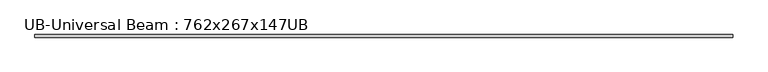
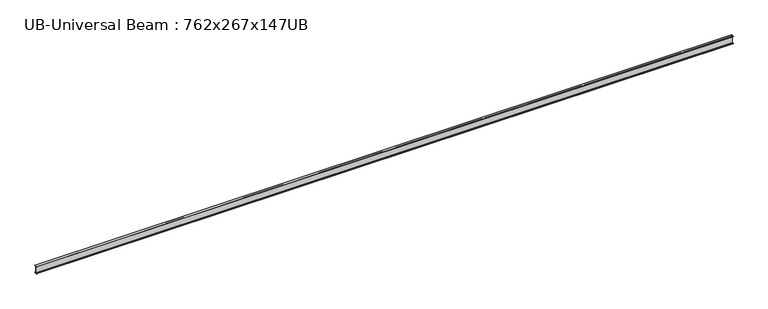
"""IFC4 building model written with IfcOpenShell, lengths in millimetres: beam geometry, UB-Universal Beam : 762x267x147UB."""

from ifc_helpers import new_model, si_unit, point, frame, frame_2d, origin, place, context, project, spatial, polyline, circle_curve, trimmed, segment, composite_curve, outline, extrude, source, transform, mapped, element, save


def ub_universal_beam_762x267x147ub_7701b2b1(model_context):
    return source(origin(), model_context, "Body", "SweptSolid", [
        extrude(outline(composite_curve([segment(polyline([(132.6, -363.5), (132.6, -381.0), (-132.6, -381.0), (-132.6, -363.5), (-22.9, -363.5)]), True, "CONTINUOUS"), segment(trimmed(circle_curve(frame_2d((-22.9, -347.0)), 16.5), [point((-22.9, -363.5))], [point((-6.4, -347.0))], True, "CARTESIAN"), True, "CONTINUOUS"), segment(polyline([(-6.4, -347.0), (-6.4, 347.0)]), True, "CONTINUOUS"), segment(trimmed(circle_curve(frame_2d((-22.9, 347.0)), 16.5), [point((-6.4, 347.0))], [point((-22.9, 363.5))], True, "CARTESIAN"), True, "CONTINUOUS"), segment(polyline([(-22.9, 363.5), (-132.6, 363.5), (-132.6, 381.0), (132.6, 381.0), (132.6, 363.5), (22.9, 363.5)]), True, "CONTINUOUS"), segment(trimmed(circle_curve(frame_2d((22.9, 347.0)), 16.5), [point((22.9, 363.5))], [point((6.4, 347.0))], True, "CARTESIAN"), True, "CONTINUOUS"), segment(polyline([(6.4, 347.0), (6.4, -347.0)]), True, "CONTINUOUS"), segment(trimmed(circle_curve(frame_2d((22.9, -347.0)), 16.5), [point((6.4, -347.0))], [point((22.9, -363.5))], True, "CARTESIAN"), True, "CONTINUOUS"), segment(polyline([(22.9, -363.5), (132.6, -363.5)]), True, "CONTINUOUS")], self_intersect=False)), frame((-35025.3, 0.0, 0.0), z_axis=(1.0, 0.0, 0.0), x_axis=(0.0, 1.0, 0.0)), (0.0, 0.0, 1.0), 70050.6),
    ])


if __name__ == "__main__":
    model = new_model("IFC4")
    model_context = context("Model", 3, world=origin())
    ifc_project = project(units=[si_unit("LENGTHUNIT", "METRE", prefix="MILLI")], contexts=[model_context])
    site = spatial("IfcSite", under=ifc_project)
    building = spatial("IfcBuilding", under=site)
    placement = place(None, origin())
    ub_universal_beam_762x267x147ub_shape = ub_universal_beam_762x267x147ub_7701b2b1(model_context)
    element("IfcBeam", 1, ObjectType="UB-Universal Beam : 762x267x147UB", at=placement, inside=building, context=model_context, shape_type="MappedRepresentation", body=[
        mapped(ub_universal_beam_762x267x147ub_shape, transform((0.0, 0.0, 0.0), x_axis=(1.0, 0.0, 0.0), y_axis=(0.0, 1.0, 0.0), z_axis=(0.0, 0.0, 1.0))),
    ])
    save(model, "model.ifc")
